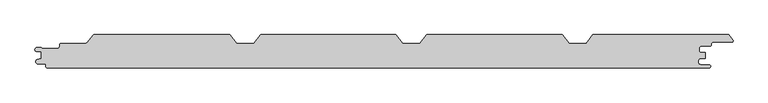
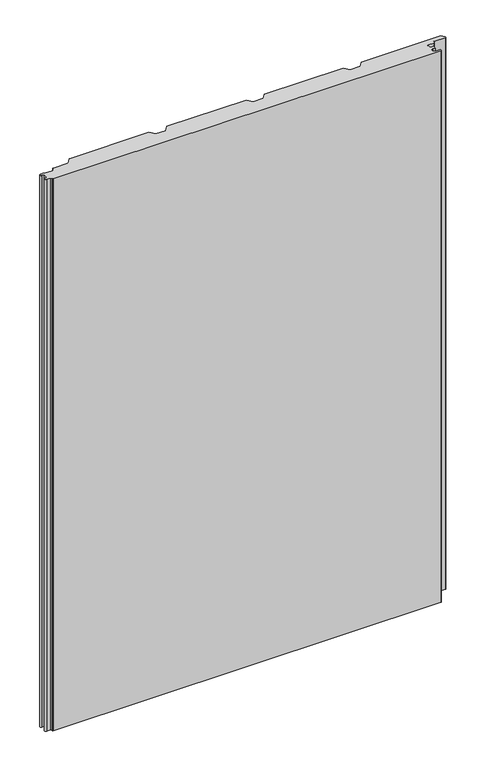
"""IFC4 building model written with IfcOpenShell, lengths in millimetres: proxy geometry."""

from ifc_helpers import new_model, si_unit, point, frame_2d, origin, origin_with_axes, place, context, project, spatial, polyline, circle_curve, trimmed, segment, composite_curve, outline, extrude, source, transform, mapped, element, save


def generic_models_dc2c3ef9(model_context):
    return source(origin(), model_context, "Body", "SweptSolid", [
        extrude(outline(composite_curve([segment(trimmed(circle_curve(frame_2d((497.8, -22.8)), 2.2), [point((497.8, -20.6))], [point((500.0, -22.8))], False, "CARTESIAN"), True, "CONTINUOUS"), segment(trimmed(circle_curve(frame_2d((497.8, -22.8)), 2.2), [point((500.0, -22.8))], [point((497.8, -25.0))], False, "CARTESIAN"), True, "CONTINUOUS"), segment(polyline([(497.8, -25.0), (-498.3, -25.0)]), True, "CONTINUOUS"), segment(trimmed(circle_curve(frame_2d((-498.3, -23.3)), 1.7), [point((-498.3, -25.0))], [point((-500.0, -23.3))], False, "CARTESIAN"), True, "CONTINUOUS"), segment(polyline([(-500.0, -23.3), (-500.0, -21.2)]), True, "CONTINUOUS"), segment(trimmed(circle_curve(frame_2d((-502.3, -21.2)), 2.3), [point((-500.0, -21.2))], [point((-502.3, -18.9))], True, "CARTESIAN"), True, "CONTINUOUS"), segment(polyline([(-502.3, -18.9), (-512.1, -18.9)]), True, "CONTINUOUS"), segment(trimmed(circle_curve(frame_2d((-512.1, -15.6)), 3.3), [point((-512.1, -18.9))], [point((-512.8423385, -12.3845788))], False, "CARTESIAN"), True, "CONTINUOUS"), segment(polyline([(-512.8423385, -12.3845788), (-507.347117, -11.115907), (-507.347117, -0.4369697), (-513.6706314, -0.4369697)]), True, "CONTINUOUS"), segment(trimmed(circle_curve(frame_2d((-513.6706314, 2.5444825)), 2.9814522), [point((-513.6706314, -0.4369697))], [point((-513.6706314, 5.5259348))], False, "CARTESIAN"), True, "CONTINUOUS"), segment(polyline([(-513.6706314, 5.5259348), (-507.3945609, 5.5259348)]), True, "CONTINUOUS"), segment(trimmed(circle_curve(frame_2d((-508.5138365, 3.7784532)), 2.0752035), [point((-507.3945609, 5.5259348))], [point((-506.7792948, 4.9176786))], False, "CARTESIAN"), True, "CONTINUOUS"), segment(trimmed(circle_curve(frame_2d((-505.0374222, 5.9004705)), 2.0), [point((-506.7792948, 4.9176786))], [point((-505.0374222, 3.9004705))], True, "CARTESIAN"), True, "CONTINUOUS"), segment(polyline([(-505.0374222, 3.9004705), (-482.9999474, 3.9004705)]), True, "CONTINUOUS"), segment(trimmed(circle_curve(frame_2d((-482.9999474, 7.3004705)), 3.4), [point((-482.9999474, 3.9004705))], [point((-479.5999474, 7.3004705))], True, "CARTESIAN"), True, "CONTINUOUS"), segment(polyline([(-479.5999474, 7.3004705), (-479.5999474, 9.6001056)]), True, "CONTINUOUS"), segment(trimmed(circle_curve(frame_2d((-477.1999474, 9.6001056)), 2.4), [point((-479.5999474, 9.6001056))], [point((-477.1999474, 12.0001056))], False, "CARTESIAN"), True, "CONTINUOUS"), segment(polyline([(-477.1999474, 12.0001056), (-440.0250086, 12.0001056)]), True, "CONTINUOUS"), segment(trimmed(circle_curve(frame_2d((-440.0250086, 14.4001056)), 2.4), [point((-440.0250086, 12.0001056))], [point((-438.1509234, 12.9008374))], True, "CARTESIAN"), True, "CONTINUOUS"), segment(polyline([(-438.1509234, 12.9008374), (-429.1021057, 24.2118596)]), True, "CONTINUOUS"), segment(trimmed(circle_curve(frame_2d((-427.4622812, 22.9)), 2.1), [point((-429.1021057, 24.2118596))], [point((-427.4622812, 25.0))], False, "CARTESIAN"), True, "CONTINUOUS"), segment(polyline([(-427.4622812, 25.0), (-223.3843192, 25.0), (-212.9844163, 12.0), (-187.3999029, 12.0), (-177.0, 25.0), (26.6156808, 25.0), (37.0155837, 12.0), (62.6000971, 12.0), (73.0, 25.0), (276.6156808, 25.0), (287.0155837, 12.0), (312.6000971, 12.0), (323.0, 25.0), (527.1673425, 25.0), (533.3977704, 17.2119652)]), True, "CONTINUOUS"), segment(trimmed(circle_curve(frame_2d((531.7579459, 15.9001056)), 2.1), [point((533.3977704, 17.2119652))], [point((531.7579459, 13.8001056))], False, "CARTESIAN"), True, "CONTINUOUS"), segment(polyline([(531.7579459, 13.8001056), (503.3603917, 13.8001056)]), True, "CONTINUOUS"), segment(trimmed(circle_curve(frame_2d((503.3603917, 11.8001056)), 2.0), [point((503.3603917, 13.8001056))], [point((501.3603917, 11.8001056))], True, "CARTESIAN"), True, "CONTINUOUS"), segment(polyline([(501.3603917, 11.8001056), (501.3603917, 9.8331556)]), True, "CONTINUOUS"), segment(trimmed(circle_curve(frame_2d((499.3603917, 9.8331556)), 2.0), [point((501.3603917, 9.8331556))], [point((499.3603917, 7.8331556))], False, "CARTESIAN"), True, "CONTINUOUS"), segment(polyline([(499.3603917, 7.8331556), (485.634822, 7.8331556)]), True, "CONTINUOUS"), segment(trimmed(circle_curve(frame_2d((485.634822, 5.0831556)), 2.7499999), [point((485.634822, 7.8331556))], [point((482.8848221, 5.0831556))], True, "CARTESIAN"), True, "CONTINUOUS"), segment(polyline([(482.8848221, 5.0831556), (482.8848221, 0.5831555)]), True, "CONTINUOUS"), segment(trimmed(circle_curve(frame_2d((485.634822, 0.5831555)), 2.7499999), [point((482.8848221, 0.5831555))], [point((485.634822, -2.1668444))], True, "CARTESIAN"), True, "CONTINUOUS"), segment(polyline([(485.634822, -2.1668444), (491.826199, -2.1668444), (491.826199, -10.5637731), (486.1740239, -10.5637731)]), True, "CONTINUOUS"), segment(trimmed(circle_curve(frame_2d((486.1740239, -15.5818865)), 5.0181135), [point((486.1740239, -10.5637731))], [point((486.1740239, -20.6))], True, "CARTESIAN"), True, "CONTINUOUS"), segment(polyline([(486.1740239, -20.6), (497.8, -20.6)]), True, "CONTINUOUS")], self_intersect=False)), origin_with_axes(), (0.0, 0.0, 1.0), 1500.0),
    ])


if __name__ == "__main__":
    model = new_model("IFC4")
    model_context = context("Model", 3, world=origin())
    ifc_project = project(units=[si_unit("LENGTHUNIT", "METRE", prefix="MILLI")], contexts=[model_context])
    site = spatial("IfcSite", under=ifc_project)
    building = spatial("IfcBuilding", under=site)
    placement = place(None, origin())
    generic_models_shape = generic_models_dc2c3ef9(model_context)
    element("IfcBuildingElementProxy", 1, Name="Generic Models", at=placement, inside=building, context=model_context, shape_type="MappedRepresentation", body=[
        mapped(generic_models_shape, transform((0.0, 0.0, 0.0), x_axis=(1.0, 0.0, 0.0), y_axis=(0.0, 1.0, 0.0), z_axis=(0.0, 0.0, 1.0))),
    ])
    save(model, "model.ifc")
